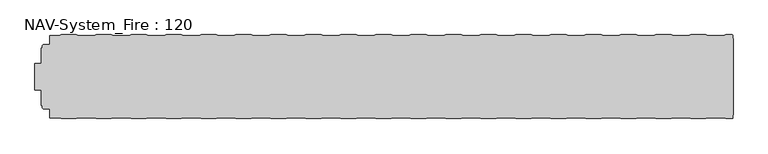
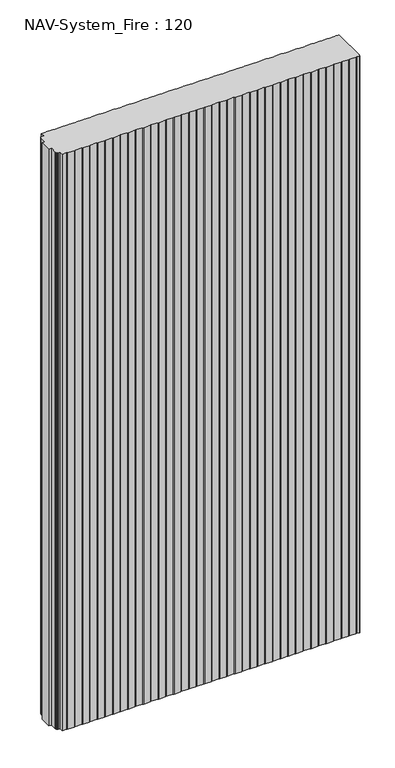
"""IFC4 building model written with IfcOpenShell, lengths in millimetres: plate geometry, NAV-System_Fire : 120."""

from ifc_helpers import new_model, si_unit, point, frame_2d, origin, origin_with_axes, place, context, project, spatial, polyline, circle_curve, trimmed, segment, composite_curve, outline, extrude, source, transform, mapped, element, save


def nav_system_fire_120_56c85145(model_context):
    return source(origin(), model_context, "Body", "SweptSolid", [
        extrude(outline(composite_curve([segment(polyline([(489.3798221, -0.8), (498.2500017, -0.8)]), True, "CONTINUOUS"), segment(trimmed(circle_curve(frame_2d((498.2500017, -2.0000002)), 1.2000002), [point((498.2500017, -0.8))], [point((499.4471561, -1.9174062))], False, "CARTESIAN"), True, "CONTINUOUS"), segment(polyline([(499.4471561, -1.9174062), (499.4471561, -6.2000106), (499.75, -6.2000106), (499.75, -115.3999955), (499.4471561, -115.3999955), (499.4471561, -119.6454029)]), True, "CONTINUOUS"), segment(trimmed(circle_curve(frame_2d((498.2925591, -119.6454029)), 1.1545971), [point((499.4471561, -119.6454029))], [point((498.2925591, -120.8))], False, "CARTESIAN"), True, "CONTINUOUS"), segment(polyline([(498.2925591, -120.8), (489.3798221, -120.8), (486.3798221, -119.8), (464.1201779, -119.8), (461.1201779, -120.8), (439.3798221, -120.8), (436.3798221, -119.8), (414.1201779, -119.8), (411.1201779, -120.8), (389.3798221, -120.8), (386.3798221, -119.8), (364.1201779, -119.8), (361.1201779, -120.8), (339.3798221, -120.8), (336.3798221, -119.8), (314.1201779, -119.8), (311.1201779, -120.8), (289.3798221, -120.8), (286.3798221, -119.8), (264.1201779, -119.8), (261.1201779, -120.8), (239.3798221, -120.8), (236.3798221, -119.8), (214.1201779, -119.8), (211.1201779, -120.8), (189.3798221, -120.8), (186.3798221, -119.8), (164.1201779, -119.8), (161.1201779, -120.8), (139.3798221, -120.8), (136.3798221, -119.8), (114.1201779, -119.8), (111.1201779, -120.8), (89.3798221, -120.8), (86.3798221, -119.8), (64.1201779, -119.8), (61.1201779, -120.8), (39.3798221, -120.8), (36.3798221, -119.8), (14.1201779, -119.8), (11.1201779, -120.8), (-10.6201779, -120.8), (-13.6201779, -119.8), (-35.8798221, -119.8), (-38.8798221, -120.8), (-60.6201779, -120.8), (-63.6201779, -119.8), (-85.8798221, -119.8), (-88.8798221, -120.8), (-110.6201779, -120.8), (-113.6201779, -119.8), (-135.8798221, -119.8), (-138.8798221, -120.8), (-160.6201779, -120.8), (-163.6201779, -119.8), (-185.8798221, -119.8), (-188.8798221, -120.8), (-210.6201779, -120.8), (-213.6201779, -119.8), (-235.8798221, -119.8), (-238.8798221, -120.8), (-260.6201779, -120.8), (-263.6201779, -119.8), (-285.8798221, -119.8), (-288.8798221, -120.8), (-310.6201779, -120.8), (-313.6201779, -119.8), (-335.8798221, -119.8), (-338.8798221, -120.8), (-360.6201779, -120.8), (-363.6201779, -119.8), (-385.8798221, -119.8), (-388.8798221, -120.8), (-410.6201779, -120.8), (-413.6201779, -119.8), (-435.8798221, -119.8), (-438.8798221, -120.8), (-460.6201779, -120.8), (-463.6201779, -119.8), (-476.9102086, -119.8), (-476.9102086, -107.1656781), (-483.4274762, -107.1656781), (-485.8625665, -106.7363058)]), True, "CONTINUOUS"), segment(trimmed(circle_curve(frame_2d((-485.5499995, -104.963651)), 1.8000009), [point((-485.8625665, -106.7363058))], [point((-487.3500004, -104.963651))], False, "CARTESIAN"), True, "CONTINUOUS"), segment(polyline([(-487.3500004, -104.963651), (-487.3500004, -101.6488001), (-488.9000495, -101.6488001), (-488.9000495, -79.8), (-497.9027105, -79.8), (-497.9027105, -41.8), (-488.9002227, -41.8), (-488.9002227, -19.9512003), (-487.3500004, -19.9512003), (-487.3500004, -16.6387681)]), True, "CONTINUOUS"), segment(trimmed(circle_curve(frame_2d((-485.5499995, -16.6387681)), 1.8000009), [point((-487.3500004, -16.6387681))], [point((-485.8625665, -14.8661133))], False, "CARTESIAN"), True, "CONTINUOUS"), segment(polyline([(-485.8625665, -14.8661133), (-483.4274762, -14.436741), (-476.9102086, -14.436741), (-476.9102086, -1.8), (-463.6201779, -1.8), (-460.6201779, -0.8), (-438.8798221, -0.8), (-435.8798221, -1.8), (-413.6201779, -1.8), (-410.6201779, -0.8), (-388.8798221, -0.8), (-385.8798221, -1.8), (-363.6201779, -1.8), (-360.6201779, -0.8), (-338.8798221, -0.8), (-335.8798221, -1.8), (-313.6201779, -1.8), (-310.6201779, -0.8), (-288.8798221, -0.8), (-285.8798221, -1.8), (-263.6201779, -1.8), (-260.6201779, -0.8), (-238.8798221, -0.8), (-235.8798221, -1.8), (-213.6201779, -1.8), (-210.6201779, -0.8), (-188.8798221, -0.8), (-185.8798221, -1.8), (-163.6201779, -1.8), (-160.6201779, -0.8), (-138.8798221, -0.8), (-135.8798221, -1.8), (-113.6201779, -1.8), (-110.6201779, -0.8), (-88.8798221, -0.8), (-85.8798221, -1.8), (-63.6201779, -1.8), (-60.6201779, -0.8), (-38.8798221, -0.8), (-35.8798221, -1.8), (-13.6201779, -1.8), (-10.6201779, -0.8), (11.1201779, -0.8), (14.1201779, -1.8), (36.3798221, -1.8), (39.3798221, -0.8), (61.1201779, -0.8), (64.1201779, -1.8), (86.3798221, -1.8), (89.3798221, -0.8), (111.1201779, -0.8), (114.1201779, -1.8), (136.3798221, -1.8), (139.3798221, -0.8), (161.1201779, -0.8), (164.1201779, -1.8), (186.3798221, -1.8), (189.3798221, -0.8), (211.1201779, -0.8), (214.1201779, -1.8), (236.3798221, -1.8), (239.3798221, -0.8), (261.1201779, -0.8), (264.1201779, -1.8), (286.3798221, -1.8), (289.3798221, -0.8), (311.1201779, -0.8), (314.1201779, -1.8), (336.3798221, -1.8), (339.3798221, -0.8), (361.1201779, -0.8), (364.1201779, -1.8), (386.3798221, -1.8), (389.3798221, -0.8), (411.1201779, -0.8), (414.1201779, -1.8), (436.3798221, -1.8), (439.3798221, -0.8), (461.1201779, -0.8), (464.1201779, -1.8), (486.3798221, -1.8), (489.3798221, -0.8)]), True, "CONTINUOUS")], self_intersect=False)), origin_with_axes(), (0.0, 0.0, 1.0), 2000.0),
    ])


if __name__ == "__main__":
    model = new_model("IFC4")
    model_context = context("Model", 3, world=origin())
    ifc_project = project(units=[si_unit("LENGTHUNIT", "METRE", prefix="MILLI")], contexts=[model_context])
    site = spatial("IfcSite", under=ifc_project)
    building = spatial("IfcBuilding", under=site)
    placement = place(None, origin())
    nav_system_fire_120_shape = nav_system_fire_120_56c85145(model_context)
    element("IfcPlate", 1, ObjectType="NAV-System_Fire : 120", at=placement, inside=building, context=model_context, shape_type="MappedRepresentation", body=[
        mapped(nav_system_fire_120_shape, transform((0.0, 0.0, 0.0), x_axis=(1.0, 0.0, 0.0), y_axis=(0.0, 1.0, 0.0), z_axis=(0.0, 0.0, 1.0))),
    ])
    save(model, "model.ifc")
